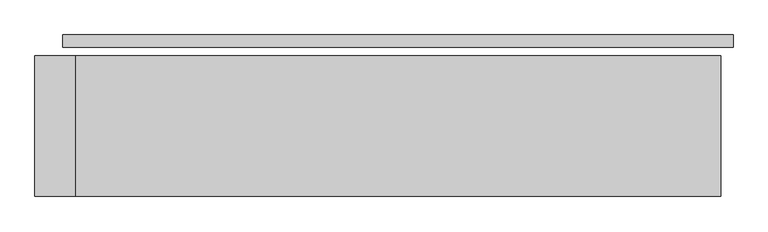
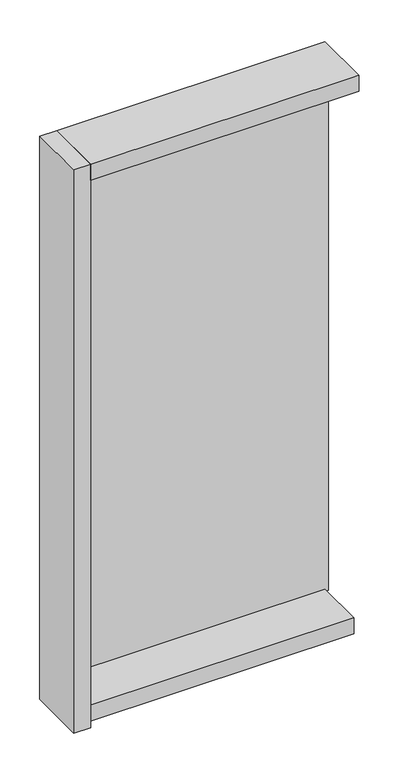
"""IFC4 building model written with IfcOpenShell, lengths in millimetres: plate geometry."""

from ifc_helpers import new_model, si_unit, frame, origin, origin_with_axes, place, context, project, spatial, polyline, outline, extrude, source, transform, mapped, element, save


def plate_6c39c161(model_context):
    return source(origin(), model_context, "Body", "SweptSolid", [
        extrude(outline(polyline([(666.0, 0.0), (666.0, -25.0), (-666.0, -25.0), (-666.0, 0.0), (666.0, 0.0)])), origin_with_axes(), (0.0, 0.0, 1.0), 2732.0),
        extrude(outline(polyline([(-641.0, -41.0), (-641.0, -321.0), (-721.0, -321.0), (-721.0, -41.0), (-641.0, -41.0)])), frame((0.0, 0.0, -55.0), z_axis=(0.0, 0.0, 1.0), x_axis=(1.0, 0.0, 0.0)), (0.0, 0.0, 1.0), 2842.0),
        extrude(outline(polyline([(641.0, -281.0), (-641.0, -281.0), (-641.0, -41.0), (641.0, -41.0), (641.0, -281.0)])), frame((0.0, 0.0, -55.0), z_axis=(0.0, 0.0, 1.0), x_axis=(1.0, 0.0, 0.0)), (0.0, 0.0, 1.0), 80.0),
        extrude(outline(polyline([(641.0, -41.0), (641.0, -321.0), (-641.0, -321.0), (-641.0, -41.0), (641.0, -41.0)])), frame((0.0, 0.0, 2707.0), z_axis=(0.0, 0.0, 1.0), x_axis=(1.0, 0.0, 0.0)), (0.0, 0.0, 1.0), 80.0),
    ])


if __name__ == "__main__":
    model = new_model("IFC4")
    model_context = context("Model", 3, world=origin())
    ifc_project = project(units=[si_unit("LENGTHUNIT", "METRE", prefix="MILLI")], contexts=[model_context])
    site = spatial("IfcSite", under=ifc_project)
    building = spatial("IfcBuilding", under=site)
    placement = place(None, origin())
    plate_shape = plate_6c39c161(model_context)
    element("IfcPlate", 1, at=placement, inside=building, context=model_context, shape_type="MappedRepresentation", body=[
        mapped(plate_shape, transform((0.0, 0.0, 0.0), x_axis=(1.0, 0.0, 0.0), y_axis=(0.0, 1.0, 0.0), z_axis=(0.0, 0.0, 1.0))),
    ])
    save(model, "model.ifc")
